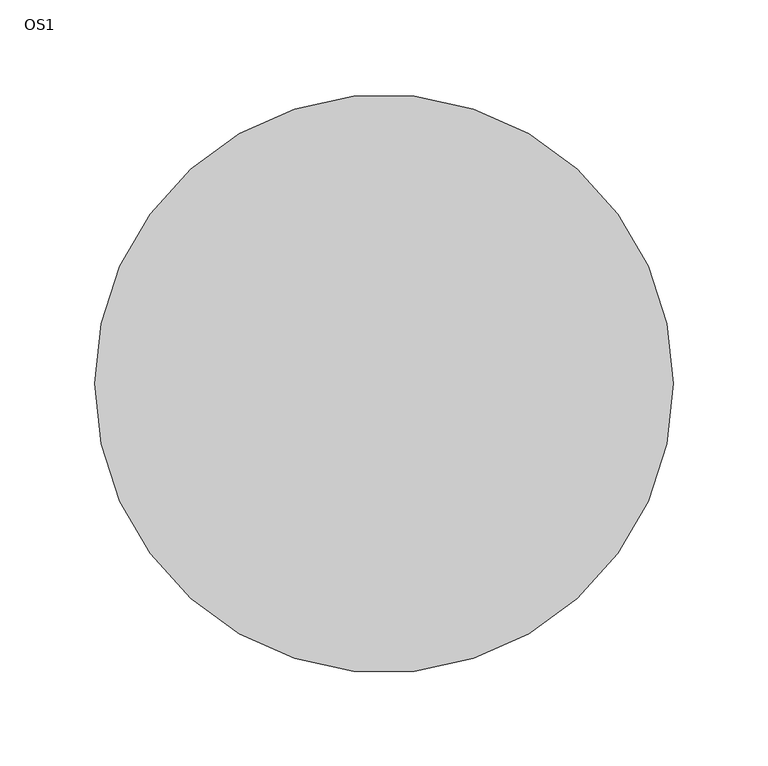
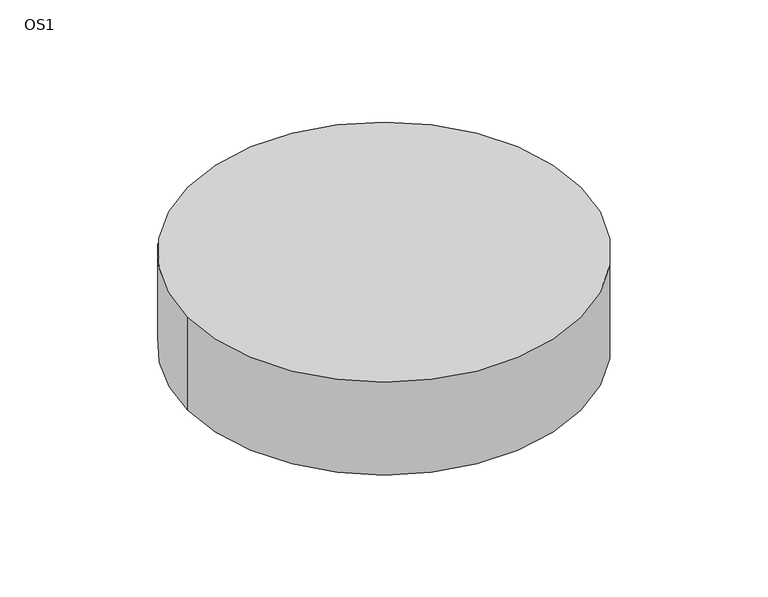
"""IFC4 building model written with IfcOpenShell, lengths in millimetres: switching device geometry, OS1."""

from ifc_helpers import new_model, si_unit, point, frame, frame_2d, origin, place, context, project, spatial, circle_curve, trimmed, segment, composite_curve, outline, extrude, source, transform, mapped, element, save


def os1_d4f5dc80(model_context):
    return source(origin(), model_context, "Body", "SweptSolid", [
        extrude(outline(composite_curve([segment(trimmed(circle_curve(frame_2d((95.2594706, -236.1056703)), 152.4), [point((-57.1405294, -236.1056703))], [point((247.6594706, -236.1056703))], False, "CARTESIAN"), True, "CONTINUOUS"), segment(trimmed(circle_curve(frame_2d((95.2594706, -236.1056703)), 152.4), [point((247.6594706, -236.1056703))], [point((-57.1405294, -236.1056703))], False, "CARTESIAN"), True, "CONTINUOUS")], self_intersect=False)), frame((0.0, 0.0, -76.2), z_axis=(0.0, 0.0, 1.0), x_axis=(1.0, 0.0, 0.0)), (0.0, 0.0, 1.0), 76.2),
    ])


if __name__ == "__main__":
    model = new_model("IFC4")
    model_context = context("Model", 3, world=origin())
    ifc_project = project(units=[si_unit("LENGTHUNIT", "METRE", prefix="MILLI")], contexts=[model_context])
    site = spatial("IfcSite", under=ifc_project)
    building = spatial("IfcBuilding", under=site)
    placement = place(None, origin())
    os1_shape = os1_d4f5dc80(model_context)
    element("IfcSwitchingDevice", 1, ObjectType="OS1", at=placement, inside=building, context=model_context, shape_type="MappedRepresentation", body=[
        mapped(os1_shape, transform((0.0, 0.0, 0.0), x_axis=(1.0, 0.0, 0.0), y_axis=(0.0, 1.0, 0.0), z_axis=(0.0, 0.0, 1.0))),
    ])
    save(model, "model.ifc")
